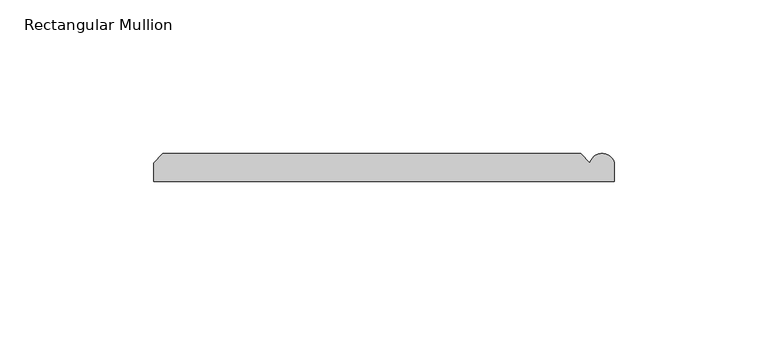
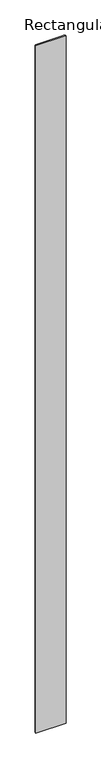
"""IFC4 building model written with IfcOpenShell, lengths in millimetres: member geometry, Rectangular Mullion."""

from ifc_helpers import new_model, si_unit, point, frame, frame_2d, origin, place, context, project, spatial, polyline, circle_curve, trimmed, segment, composite_curve, outline, extrude, source, transform, mapped, element, save


def rectangular_mullion_c41b43cd(model_context):
    return source(origin(), model_context, "Body", "SweptSolid", [
        extrude(outline(composite_curve([segment(polyline([(63.9809918, 9.0), (66.9809918, 6.0)]), True, "CONTINUOUS"), segment(trimmed(circle_curve(frame_2d((70.9809918, 5.0)), 4.1231056), [point((66.9809918, 6.0))], [point((74.9809918, 6.0))], False, "CARTESIAN"), True, "CONTINUOUS"), segment(polyline([(74.9809918, 6.0), (74.9809918, 0.0), (-75.0190082, 0.0), (-75.0190082, 6.00681), (-72.0258182, 9.0), (63.9809918, 9.0)]), True, "CONTINUOUS")], self_intersect=False)), frame((0.0, 0.0, -3600.0), z_axis=(0.0, 0.0, 1.0), x_axis=(1.0, 0.0, 0.0)), (0.0, 0.0, 1.0), 3600.0),
    ])


if __name__ == "__main__":
    model = new_model("IFC4")
    model_context = context("Model", 3, world=origin())
    ifc_project = project(units=[si_unit("LENGTHUNIT", "METRE", prefix="MILLI")], contexts=[model_context])
    site = spatial("IfcSite", under=ifc_project)
    building = spatial("IfcBuilding", under=site)
    placement = place(None, origin())
    rectangular_mullion_shape = rectangular_mullion_c41b43cd(model_context)
    element("IfcMember", 1, ObjectType="Rectangular Mullion", at=placement, inside=building, context=model_context, shape_type="MappedRepresentation", body=[
        mapped(rectangular_mullion_shape, transform((0.0, 0.0, 0.0), x_axis=(1.0, 0.0, 0.0), y_axis=(0.0, 1.0, 0.0), z_axis=(0.0, 0.0, 1.0))),
    ])
    save(model, "model.ifc")
